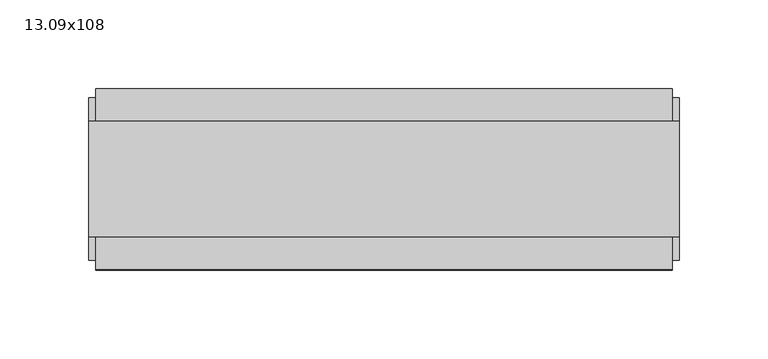
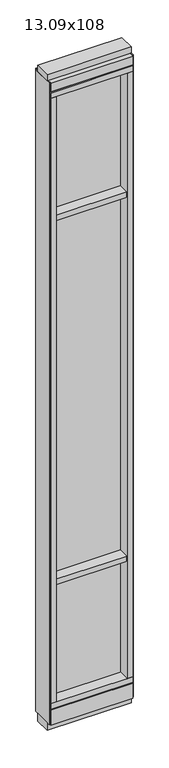
"""IFC4 building model written with IfcOpenShell, lengths in millimetres: furniture geometry, 13.09x108."""

from ifc_helpers import new_model, si_unit, frame, origin, origin_with_axes, place, context, project, spatial, polyline, outline, extrude, source, transform, mapped, element, save


def furniture_13_09x108_b8578273(model_context):
    return source(origin(), model_context, "Body", "SweptSolid", [
        extrude(outline(polyline([(-200.1155386, 0.5622784), (80.0424927, 0.5622784), (80.0424927, -9.5977216), (-200.1155386, -9.5977216), (-200.1155386, 0.5622784)])), frame((0.0, 0.0, 2155.825), z_axis=(0.0, 0.0, 1.0), x_axis=(1.0, 0.0, 0.0)), (0.0, 0.0, 1.0), 498.475),
        extrude(outline(polyline([(-200.1155386, 0.5622784), (80.0424927, 0.5622784), (80.0424927, -9.5977216), (-200.1155386, -9.5977216), (-200.1155386, 0.5622784)])), frame((0.0, 0.0, 631.825), z_axis=(0.0, 0.0, 1.0), x_axis=(1.0, 0.0, 0.0)), (0.0, 0.0, 1.0), 1501.775),
        extrude(outline(polyline([(-200.1155386, -52.3332216), (-200.1155386, 43.2977784), (80.0424927, 43.2977784), (80.0424927, -52.3332216), (-200.1155386, -52.3332216)])), frame((0.0, 0.0, 2133.6), z_axis=(0.0, 0.0, 1.0), x_axis=(1.0, 0.0, 0.0)), (0.0, 0.0, 1.0), 22.225),
        extrude(outline(polyline([(-200.1155386, -52.3332216), (-200.1155386, 43.2977784), (80.0424927, 43.2977784), (80.0424927, -52.3332216), (-200.1155386, -52.3332216)])), frame((0.0, 0.0, 609.6), z_axis=(0.0, 0.0, 1.0), x_axis=(1.0, 0.0, 0.0)), (0.0, 0.0, 1.0), 22.225),
        extrude(outline(polyline([(80.0424927, -9.5977216), (-200.1155386, -9.5977216), (-200.1155386, 0.5622784), (80.0424927, 0.5622784), (80.0424927, -9.5977216)])), frame((0.0, 0.0, 120.523), z_axis=(0.0, 0.0, 1.0), x_axis=(1.0, 0.0, 0.0)), (0.0, 0.0, 1.0), 489.077),
        extrude(outline(polyline([(-55.3177216, 93.345), (-50.3647216, 93.345), (-50.3647216, 98.298), (41.3292784, 98.298), (41.3292784, 93.345), (46.2822784, 93.345), (46.2822784, 31.75), (-55.3177216, 31.75), (-55.3177216, 93.345)])), frame((-222.3405386, 0.0, 0.0), z_axis=(1.0, 0.0, 0.0), x_axis=(0.0, 1.0, 0.0)), (0.0, 0.0, 1.0), 324.6080312),
        extrude(outline(polyline([(-222.3405386, -55.3177216), (-222.3405386, 46.2822784), (102.2674927, 46.2822784), (102.2674927, -55.3177216), (-222.3405386, -55.3177216)])), frame((0.0, 0.0, 98.298), z_axis=(0.0, 0.0, 1.0), x_axis=(1.0, 0.0, 0.0)), (0.0, 0.0, 1.0), 22.225),
        extrude(outline(polyline([(106.2044927, 27.9942784), (106.2044927, -37.0297216), (-226.2775386, -37.0297216), (-226.2775386, 27.9942784), (106.2044927, 27.9942784)])), origin_with_axes(), (0.0, 0.0, 1.0), 31.75),
        extrude(outline(polyline([(-226.2775386, -37.0297216), (-226.2775386, 27.9942784), (106.2044927, 27.9942784), (106.2044927, -37.0297216), (-226.2775386, -37.0297216)])), frame((0.0, 0.0, 2717.8), z_axis=(0.0, 0.0, 1.0), x_axis=(1.0, 0.0, 0.0)), (0.0, 0.0, 1.0), 25.4),
        extrude(outline(polyline([(-55.3177216, 2681.478), (-55.3177216, 2717.8), (46.2822784, 2717.8), (46.2822784, 2681.478), (41.3292784, 2681.478), (41.3292784, 2676.525), (-50.3647216, 2676.525), (-50.3647216, 2681.478), (-55.3177216, 2681.478)])), frame((-222.3405386, 0.0, 0.0), z_axis=(1.0, 0.0, 0.0), x_axis=(0.0, 1.0, 0.0)), (0.0, 0.0, 1.0), 324.6080312),
        extrude(outline(polyline([(102.2674927, 46.2822784), (102.2674927, -55.3177216), (-222.3405386, -55.3177216), (-222.3405386, 46.2822784), (102.2674927, 46.2822784)])), frame((0.0, 0.0, 2654.3), z_axis=(0.0, 0.0, 1.0), x_axis=(1.0, 0.0, 0.0)), (0.0, 0.0, 1.0), 22.225),
        extrude(outline(polyline([(80.0424927, -55.3177216), (80.0424927, 46.2822784), (102.2674927, 46.2822784), (102.2674927, -55.3177216), (80.0424927, -55.3177216)])), frame((0.0, 0.0, 120.523), z_axis=(0.0, 0.0, 1.0), x_axis=(1.0, 0.0, 0.0)), (0.0, 0.0, 1.0), 2533.777),
        extrude(outline(polyline([(-200.1155386, -55.3177216), (-222.3405386, -55.3177216), (-222.3405386, 46.2822784), (-200.1155386, 46.2822784), (-200.1155386, -55.3177216)])), frame((0.0, 0.0, 120.523), z_axis=(0.0, 0.0, 1.0), x_axis=(1.0, 0.0, 0.0)), (0.0, 0.0, 1.0), 2533.777),
        extrude(outline(polyline([(106.2044927, -50.3647216), (102.2674927, -50.3647216), (102.2674927, 41.3292784), (106.2044927, 41.3292784), (106.2044927, -50.3647216)])), frame((0.0, 0.0, 31.75), z_axis=(0.0, 0.0, 1.0), x_axis=(1.0, 0.0, 0.0)), (0.0, 0.0, 1.0), 2686.05),
        extrude(outline(polyline([(-226.2775386, -50.3647216), (-226.2775386, 41.3292784), (-222.3405386, 41.3292784), (-222.3405386, -50.3647216), (-226.2775386, -50.3647216)])), frame((0.0, 0.0, 31.75), z_axis=(0.0, 0.0, 1.0), x_axis=(1.0, 0.0, 0.0)), (0.0, 0.0, 1.0), 2686.05),
    ])


if __name__ == "__main__":
    model = new_model("IFC4")
    model_context = context("Model", 3, world=origin())
    ifc_project = project(units=[si_unit("LENGTHUNIT", "METRE", prefix="MILLI")], contexts=[model_context])
    site = spatial("IfcSite", under=ifc_project)
    building = spatial("IfcBuilding", under=site)
    placement = place(None, origin())
    furniture_13_09x108_shape = furniture_13_09x108_b8578273(model_context)
    element("IfcFurniture", 1, ObjectType="13.09x108", at=placement, inside=building, context=model_context, shape_type="MappedRepresentation", body=[
        mapped(furniture_13_09x108_shape, transform((0.0, 0.0, 0.0), x_axis=(1.0, 0.0, 0.0), y_axis=(0.0, 1.0, 0.0), z_axis=(0.0, 0.0, 1.0))),
    ])
    save(model, "model.ifc")
